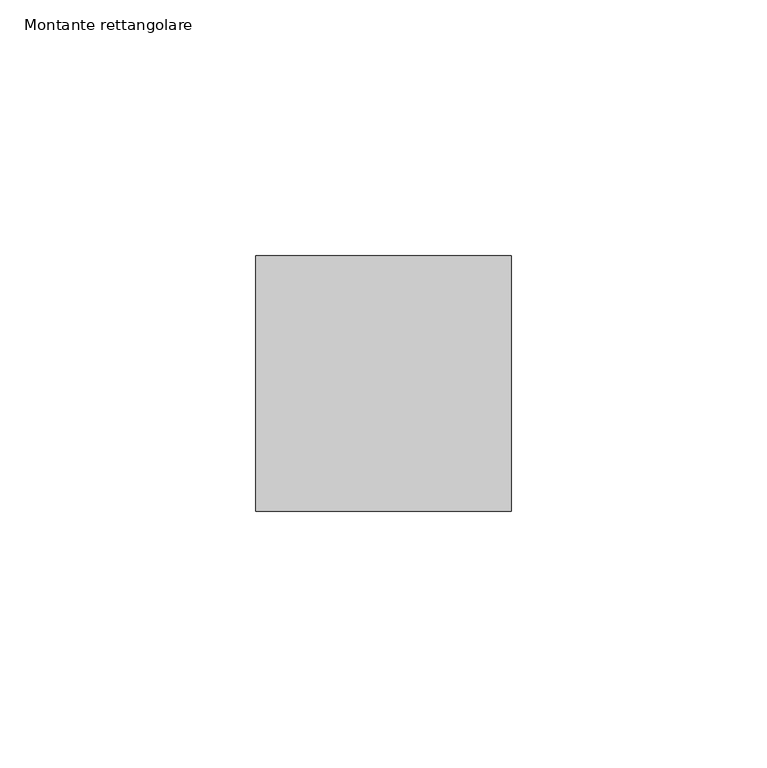
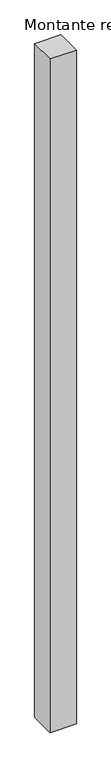
"""IFC4 building model written with IfcOpenShell, lengths in millimetres: member geometry, Montante rettangolare."""

from ifc_helpers import new_model, si_unit, frame, origin, place, context, project, spatial, polyline, outline, extrude, source, transform, mapped, element, save


def montante_rettangolare_ed9cd5f3(model_context):
    return source(origin(), model_context, "Body", "SweptSolid", [
        extrude(outline(polyline([(25.0, 25.0), (25.0, -25.0), (-25.0, -25.0), (-25.0, 25.0), (25.0, 25.0)])), frame((0.0, 0.0, -1350.0), z_axis=(0.0, 0.0, 1.0), x_axis=(1.0, 0.0, 0.0)), (0.0, 0.0, 1.0), 1350.0),
    ])


if __name__ == "__main__":
    model = new_model("IFC4")
    model_context = context("Model", 3, world=origin())
    ifc_project = project(units=[si_unit("LENGTHUNIT", "METRE", prefix="MILLI")], contexts=[model_context])
    site = spatial("IfcSite", under=ifc_project)
    building = spatial("IfcBuilding", under=site)
    placement = place(None, origin())
    montante_rettangolare_shape = montante_rettangolare_ed9cd5f3(model_context)
    element("IfcMember", 1, ObjectType="Montante rettangolare", at=placement, inside=building, context=model_context, shape_type="MappedRepresentation", body=[
        mapped(montante_rettangolare_shape, transform((0.0, 0.0, 0.0), x_axis=(1.0, 0.0, 0.0), y_axis=(0.0, 1.0, 0.0), z_axis=(0.0, 0.0, 1.0))),
    ])
    save(model, "model.ifc")
